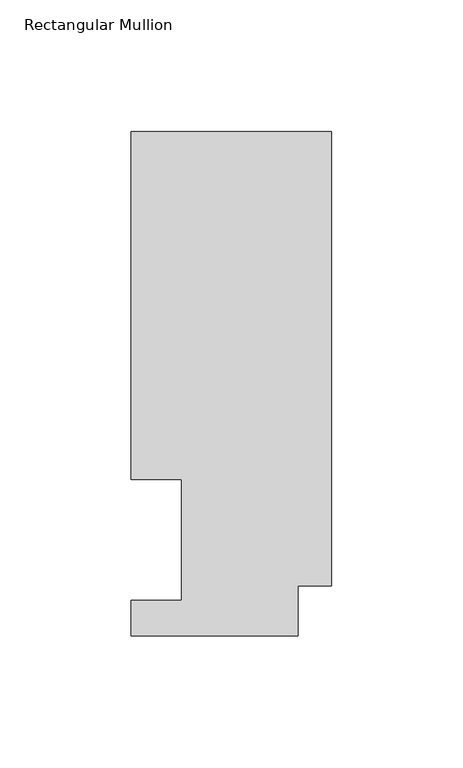
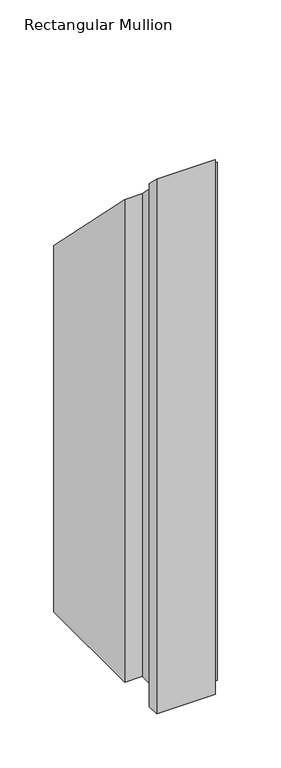
"""IFC4 building model written with IfcOpenShell, lengths in millimetres: member geometry, Rectangular Mullion."""

from ifc_helpers import new_model, si_unit, origin, place, context, project, spatial, faceted_brep, source, transform, mapped, element, save


def rectangular_mullion_b858fef9(model_context):
    return source(origin(), model_context, "Body", "Brep", [
        faceted_brep([(0.0, 192.09385, -609.6), (0.0, 19.06905, -609.6), (-12.7, 19.06905, -609.6), (-12.7, 0.04445, -609.6), (-76.2, 0.04445, -609.6), (-76.2, 13.50645, -609.6), (-57.15, 13.50645, -609.6), (-57.15, 59.53125, -609.6), (-76.2, 59.53125, -609.6), (-76.2, 192.09385, -609.6), (-76.2, 192.09385, -192.09385), (0.0, 192.09385, -192.09385), (-76.2, 59.53125, -59.53125), (-57.15, 59.53125, -59.53125), (-57.15, 13.50645, -13.50645), (-76.2, 13.50645, -13.50645), (-76.2, 0.04445, -0.04445), (-12.7, 0.04445, -0.04445), (-12.7, 19.06905, -19.06905), (0.0, 19.06905, -19.06905)], [[[0, 1, 2, 3, 4, 5, 6, 7, 8, 9]], [[10, 11, 0, 9]], [[12, 10, 9, 8]], [[13, 12, 8, 7]], [[14, 13, 7, 6]], [[15, 14, 6, 5]], [[16, 15, 5, 4]], [[17, 16, 4, 3]], [[18, 17, 3, 2]], [[19, 18, 2, 1]], [[11, 19, 1, 0]], [[11, 10, 12, 13, 14, 15, 16, 17, 18, 19]]]),
    ])


if __name__ == "__main__":
    model = new_model("IFC4")
    model_context = context("Model", 3, world=origin())
    ifc_project = project(units=[si_unit("LENGTHUNIT", "METRE", prefix="MILLI")], contexts=[model_context])
    site = spatial("IfcSite", under=ifc_project)
    building = spatial("IfcBuilding", under=site)
    placement = place(None, origin())
    rectangular_mullion_shape = rectangular_mullion_b858fef9(model_context)
    element("IfcMember", 1, ObjectType="Rectangular Mullion", at=placement, inside=building, context=model_context, shape_type="MappedRepresentation", body=[
        mapped(rectangular_mullion_shape, transform((0.0, 0.0, 0.0), x_axis=(1.0, 0.0, 0.0), y_axis=(0.0, 1.0, 0.0), z_axis=(0.0, 0.0, 1.0))),
    ])
    save(model, "model.ifc")
